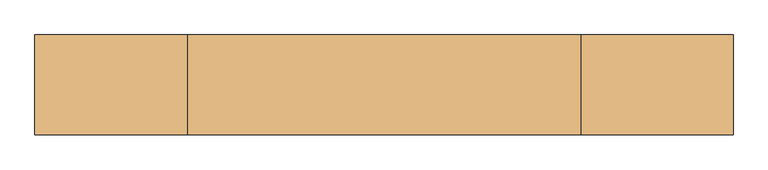
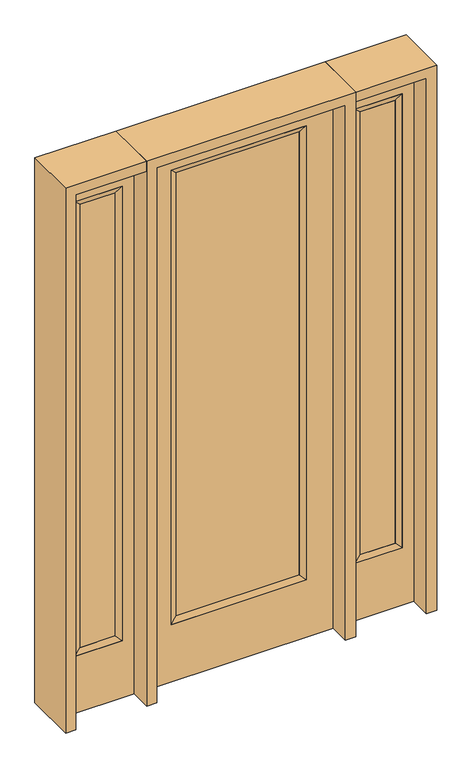
"""IFC4 building model written with IfcOpenShell, lengths in millimetres: door geometry."""

import ifcopenshell
import ifcopenshell.guid

model = None  # the IFC model being written
_history = None  # IfcOwnerHistory: only IFC2X3 demands one
_inside = {}  # id of a spatial element -> (the spatial element, [elements in it])
_under = {}  # id of a project, library or spatial element -> (it, [spatial elements below it])
_declared = {}  # id of a project -> (the project, [libraries it declares])
_typed = {}  # id of a type object -> (the type object, [elements of that type])
_made_of = {}  # id of a material, layer set ... -> (it, [elements and type objects made of it])


def new_model(schema):
    """Start an empty IFC model of exactly this schema.

    Asked for "IFC4X3", IfcOpenShell would pick the latest addendum, in which some entities
    have other attributes; the version numbers below select the first issue.
    IFC2X3 requires an IfcOwnerHistory on every rooted entity: one is made here for all.
    """
    global model, _history
    if schema == "IFC4X3":
        model = ifcopenshell.file(schema_version=(4, 3, 0, 0))
    else:
        model = ifcopenshell.file(schema=schema)
    _inside.clear()
    _under.clear()
    _declared.clear()
    _typed.clear()
    _made_of.clear()
    _history = None
    if model.schema == "IFC2X3":
        org = make("IfcOrganization", Name="unknown")
        user = make(
            "IfcPersonAndOrganization",
            ThePerson=make("IfcPerson", FamilyName="unknown"),
            TheOrganization=org,
        )
        app = make(
            "IfcApplication",
            ApplicationDeveloper=org,
            Version="unknown",
            ApplicationFullName="unknown",
            ApplicationIdentifier="unknown",
        )
        _history = make(
            "IfcOwnerHistory",
            OwningUser=user,
            OwningApplication=app,
            ChangeAction="ADDED",
            CreationDate=0,
        )
    return model


def make(cls, **values):
    """One entity of the class cls with the attributes given. An attribute that is None is left unset."""
    return model.create_entity(
        cls, **{name: value for name, value in values.items() if value is not None}
    )


def rooted(cls, **values):
    """An entity with a GlobalId (a new one), such as an element, a storey or a relation."""
    return make(cls, GlobalId=ifcopenshell.guid.new(), OwnerHistory=_history, **values)


def si_unit(unit_type, name, prefix=None):
    """IfcSIUnit, for example si_unit("LENGTHUNIT", "METRE", prefix="MILLI")."""
    return make("IfcSIUnit", UnitType=unit_type, Prefix=prefix, Name=name)


def assignment(units):
    """IfcUnitAssignment: the units of a project."""
    return None if units is None else make("IfcUnitAssignment", Units=units)


def point(xyz):
    """IfcCartesianPoint."""
    return None if xyz is None else make("IfcCartesianPoint", Coordinates=xyz)


def direction(xyz):
    """IfcDirection."""
    return None if xyz is None else make("IfcDirection", DirectionRatios=xyz)


def frame(location, z_axis=None, x_axis=None):
    """IfcAxis2Placement3D, a coordinate frame: its origin and axes. An axis left out is left unset."""
    return make(
        "IfcAxis2Placement3D",
        Location=point(location),
        Axis=direction(z_axis),
        RefDirection=direction(x_axis),
    )


def origin():
    """The frame at (0, 0, 0) with its axes left unset."""
    return frame((0.0, 0.0, 0.0))


def place(relative_to, where):
    """IfcLocalPlacement: puts the frame where relative to a parent placement (None: the world)."""
    return make(
        "IfcLocalPlacement", PlacementRelTo=relative_to, RelativePlacement=where
    )


def context(
    kind, dimensions, precision=None, world=None, true_north=None, identifier=None
):
    """IfcGeometricRepresentationContext, for example the 3D "Model" context."""
    return make(
        "IfcGeometricRepresentationContext",
        ContextIdentifier=identifier,
        ContextType=kind,
        CoordinateSpaceDimension=dimensions,
        Precision=precision,
        WorldCoordinateSystem=world,
        TrueNorth=true_north,
    )


def project(units=None, contexts=None):
    """IfcProject with its units and contexts."""
    return rooted(
        "IfcProject",
        Name="project",
        RepresentationContexts=contexts,
        UnitsInContext=assignment(units),
    )


def spatial(cls, under=None, at=None, **own):
    """A site, building, storey or space (cls), placed at a placement, below another one or the project."""
    s = rooted(cls, ObjectPlacement=at, **own)
    if under is not None:
        _under.setdefault(under.id(), (under, []))[1].append(s)
    return s


def polyline(points):
    """IfcPolyline through the points."""
    return make("IfcPolyline", Points=[point(p) for p in points])


def outline(outer, holes=None, kind="AREA"):
    """IfcArbitraryClosedProfileDef: a profile drawn as a closed curve; with holes, ...WithVoids."""
    if holes is None:
        return make("IfcArbitraryClosedProfileDef", ProfileType=kind, OuterCurve=outer)
    return make(
        "IfcArbitraryProfileDefWithVoids",
        ProfileType=kind,
        OuterCurve=outer,
        InnerCurves=holes,
    )


def extrude(swept, where, along, depth):
    """IfcExtrudedAreaSolid: the profile swept, set in the frame where, extruded along a direction by depth."""
    return make(
        "IfcExtrudedAreaSolid",
        SweptArea=swept,
        Position=where,
        ExtrudedDirection=direction(along),
        Depth=depth,
    )


def faces_of(points, faces, orient=None, outer=None):
    """IfcFace entities. A face is a list of loops; a loop is a list of indices into points, from 0.

    orient and outer hold one flag for each loop. By default every Orientation is true, the
    first loop of a face is its IfcFaceOuterBound and the others are IfcFaceBound.
    """
    made = []
    for i, loops in enumerate(faces):
        bounds = []
        for j, loop in enumerate(loops):
            is_outer = j == 0 if outer is None else outer[i][j]
            bounds.append(
                make(
                    "IfcFaceOuterBound" if is_outer else "IfcFaceBound",
                    Bound=make("IfcPolyLoop", Polygon=[points[k] for k in loop]),
                    Orientation=True if orient is None else orient[i][j],
                )
            )
        made.append(make("IfcFace", Bounds=bounds))
    return made


def faceted_brep(points, faces, orient=None, outer=None, voids=None):
    """IfcFacetedBrep: a solid bounded by flat faces; with voids (closed shells), ...WithVoids."""
    shared = [point(p) for p in points]
    hull = make("IfcClosedShell", CfsFaces=faces_of(shared, faces, orient, outer))
    if voids is None:
        return make("IfcFacetedBrep", Outer=hull)
    return make(
        "IfcFacetedBrepWithVoids",
        Outer=hull,
        Voids=[
            make(cls, CfsFaces=faces_of(shared, fs, o, b)) for cls, fs, o, b in voids
        ],
    )


def shape(context_of_items, identifier, shape_type, items):
    """IfcShapeRepresentation: the items that make up one representation, for example the "Body"."""
    return make(
        "IfcShapeRepresentation",
        ContextOfItems=context_of_items,
        RepresentationIdentifier=identifier,
        RepresentationType=shape_type,
        Items=items,
    )


def source(mapping_origin, context_of_items, identifier, shape_type, items):
    """IfcRepresentationMap: a shape defined once, which mapped items show again and again."""
    return make(
        "IfcRepresentationMap",
        MappingOrigin=mapping_origin,
        MappedRepresentation=shape(context_of_items, identifier, shape_type, items),
    )


def transform(
    local_origin,
    x_axis=None,
    y_axis=None,
    z_axis=None,
    scale=None,
    scale2=None,
    scale3=None,
    uniform=True,
):
    """IfcCartesianTransformationOperator3D, or its non-uniform kind. x_axis, y_axis, z_axis: its Axis1, 2, 3."""
    if uniform:
        return make(
            "IfcCartesianTransformationOperator3D",
            Axis1=direction(x_axis),
            Axis2=direction(y_axis),
            LocalOrigin=point(local_origin),
            Scale=scale,
            Axis3=direction(z_axis),
        )
    return make(
        "IfcCartesianTransformationOperator3DnonUniform",
        Axis1=direction(x_axis),
        Axis2=direction(y_axis),
        LocalOrigin=point(local_origin),
        Scale=scale,
        Axis3=direction(z_axis),
        Scale2=scale2,
        Scale3=scale3,
    )


def mapped(mapping_source, mapping_target):
    """IfcMappedItem: shows the shape of a source again, moved by a transform."""
    return make(
        "IfcMappedItem", MappingSource=mapping_source, MappingTarget=mapping_target
    )


def made_of(thing, what):
    """Note that an element or type object is made of a material, layer set ...; save() writes the relation."""
    if what is not None:
        _made_of.setdefault(what.id(), (what, []))[1].append(thing)
    return thing


def element(
    cls,
    number,
    at=None,
    inside=None,
    cuts=None,
    type_object=None,
    material=None,
    context=None,
    identifier="Body",
    shape_type=None,
    held_by="IfcProductDefinitionShape",
    body=None,
    shapes=None,
    **own,
):
    """One element of the class cls, such as IfcWall. Its Tag is "e" and its number.

    at: its placement. inside: the storey or other place that contains it. cuts: it is an
    opening in that element (IfcRelVoidsElement). A single representation is given by context,
    identifier, shape_type and body (its items); several are given by shapes. held_by: the class
    of the entity that holds the representations. save() writes the other relations.
    """
    e = rooted(cls, Tag="e%d" % number, ObjectPlacement=at, **own)
    if body is not None:
        shapes = [shape(context, identifier, shape_type, body)]
    if shapes is not None:
        e.Representation = make(held_by, Representations=shapes)
    if inside is not None:
        _inside.setdefault(inside.id(), (inside, []))[1].append(e)
    if cuts is not None:
        rooted(
            "IfcRelVoidsElement", RelatingBuildingElement=cuts, RelatedOpeningElement=e
        )
    if type_object is not None:
        _typed.setdefault(type_object.id(), (type_object, []))[1].append(e)
    return made_of(e, material)


def aggregate(whole, parts):
    """IfcRelAggregates: a whole, such as a stair, and the parts it consists of."""
    return rooted("IfcRelAggregates", RelatingObject=whole, RelatedObjects=parts)


def save(model, path):
    """Write the relations noted so far, then the file.

    IfcRelAggregates (storeys below a building ...), IfcRelContainedInSpatialStructure (elements
    in a storey), IfcRelDefinesByType, IfcRelAssociatesMaterial and IfcRelDeclares: one each for
    every whole, place, type object, material and project.
    """
    for whole, parts in _under.values():
        aggregate(whole, parts)
    for where, things in _inside.values():
        rooted(
            "IfcRelContainedInSpatialStructure",
            RelatedElements=things,
            RelatingStructure=where,
        )
    for kind, things in _typed.values():
        rooted("IfcRelDefinesByType", RelatedObjects=things, RelatingType=kind)
    for what, things in _made_of.values():
        rooted("IfcRelAssociatesMaterial", RelatedObjects=things, RelatingMaterial=what)
    for by, libraries in _declared.values():
        rooted("IfcRelDeclares", RelatingContext=by, RelatedDefinitions=libraries)
    model.write(path)


def door_2257d5ea(model_context):
    return source(origin(), model_context, "Body", "SolidModel", [
        extrude(outline(polyline([(265.5824, -12.7039749), (-265.5824, -12.7039749), (-265.5824, 14.2875), (265.5824, 14.2875), (265.5824, -12.7039749)])), frame((0.0, 0.0, 285.75), z_axis=(0.0, 0.0, 1.0), x_axis=(1.0, 0.0, 0.0)), (0.0, 0.0, 1.0), 2019.3),
        faceted_brep([(265.5824, 14.2875, 2305.05), (290.9824, 22.225, 2330.45), (290.9824, 22.225, 260.35), (265.5824, 14.2875, 285.75), (290.9824, -22.225, 2330.45), (290.9824, -22.225, 260.35), (-290.9824, 22.225, 260.35), (-265.5824, 14.2875, 285.75), (265.5824, -12.7039749, 2305.05), (265.5824, -12.7039749, 285.75), (-265.5824, -12.7039749, 285.75), (-290.9824, -22.225, 260.35), (-290.9824, 22.225, 2330.45), (-265.5824, 14.2875, 2305.05), (-265.5824, -12.7039749, 2305.05), (-290.9824, -22.225, 2330.45)], [[[0, 1, 2, 3]], [[1, 4, 5, 2]], [[3, 2, 6, 7]], [[8, 0, 3, 9]], [[9, 3, 7, 10]], [[4, 8, 9, 5]], [[5, 9, 10, 11]], [[2, 5, 11, 6]], [[7, 6, 12, 13]], [[10, 7, 13, 14]], [[11, 10, 14, 15]], [[6, 11, 15, 12]], [[13, 12, 1, 0]], [[14, 13, 0, 8]], [[15, 14, 8, 4]], [[12, 15, 4, 1]]]),
        extrude(outline(polyline([(0.0, -406.4), (0.0, 406.4), (2438.4, 406.4), (2438.4, -406.4), (0.0, -406.4)]), holes=[polyline([(260.35, -290.9824), (2330.45, -290.9824), (2330.45, 290.9824), (260.35, 290.9824), (260.35, -290.9824)])]), frame((0.0, -22.225, 0.0), z_axis=(0.0, 1.0, 0.0), x_axis=(0.0, 0.0, 1.0)), (0.0, 0.0, 1.0), 44.45),
        faceted_brep([(501.65, 20.6375, 2330.45), (501.65, 20.6375, 260.35), (501.65, -20.6375, 260.35), (501.65, -20.6375, 2330.45), (527.05, -12.7, 285.75), (527.05, -12.7, 2305.05), (704.85, 20.6375, 260.35), (704.85, -20.6375, 260.35), (527.05, 12.7, 2305.05), (527.05, 12.7, 285.75), (679.45, 12.7, 285.75), (679.45, -12.7, 285.75), (704.85, 20.6375, 2330.45), (704.85, -20.6375, 2330.45), (679.45, 12.7, 2305.05), (679.45, -12.7, 2305.05)], [[[0, 1, 2, 3]], [[3, 2, 4, 5]], [[1, 6, 7, 2]], [[8, 9, 1, 0]], [[9, 10, 6, 1]], [[5, 4, 9, 8]], [[4, 11, 10, 9]], [[2, 7, 11, 4]], [[6, 12, 13, 7]], [[10, 14, 12, 6]], [[11, 15, 14, 10]], [[7, 13, 15, 11]], [[12, 0, 3, 13]], [[14, 8, 0, 12]], [[15, 5, 8, 14]], [[13, 3, 5, 15]]]),
        extrude(outline(polyline([(0.0, 755.65), (2438.4, 755.65), (2438.4, 450.85), (0.0, 450.85), (0.0, 755.65)]), holes=[polyline([(2330.45, 501.65), (2330.45, 704.85), (260.35, 704.85), (260.35, 501.65), (2330.45, 501.65)])]), frame((0.0, -20.6375, 0.0), z_axis=(0.0, 1.0, 0.0), x_axis=(0.0, 0.0, 1.0)), (0.0, 0.0, 1.0), 41.275),
        extrude(outline(polyline([(527.05, -12.7), (527.05, 12.7), (679.45, 12.7), (679.45, -12.7), (527.05, -12.7)])), frame((0.0, 0.0, 284.95625), z_axis=(0.0, 0.0, 1.0), x_axis=(1.0, 0.0, 0.0)), (0.0, 0.0, 1.0), 2020.09375),
        faceted_brep([(-501.65, 20.6375, 2330.45), (-501.65, -20.6375, 2330.45), (-501.65, -20.6375, 260.35), (-501.65, 20.6375, 260.35), (-527.05, -12.7, 2305.05), (-527.05, -12.7, 285.75), (-704.85, -20.6375, 260.35), (-704.85, 20.6375, 260.35), (-527.05, 12.7, 2305.05), (-527.05, 12.7, 285.75), (-679.45, 12.7, 285.75), (-679.45, -12.7, 285.75), (-704.85, -20.6375, 2330.45), (-704.85, 20.6375, 2330.45), (-679.45, 12.7, 2305.05), (-679.45, -12.7, 2305.05)], [[[0, 1, 2, 3]], [[1, 4, 5, 2]], [[3, 2, 6, 7]], [[8, 0, 3, 9]], [[9, 3, 7, 10]], [[4, 8, 9, 5]], [[5, 9, 10, 11]], [[2, 5, 11, 6]], [[7, 6, 12, 13]], [[10, 7, 13, 14]], [[11, 10, 14, 15]], [[6, 11, 15, 12]], [[13, 12, 1, 0]], [[14, 13, 0, 8]], [[15, 14, 8, 4]], [[12, 15, 4, 1]]]),
        extrude(outline(polyline([(0.0, -755.65), (0.0, -450.85), (2438.4, -450.85), (2438.4, -755.65), (0.0, -755.65)]), holes=[polyline([(2330.45, -501.65), (260.35, -501.65), (260.35, -704.85), (2330.45, -704.85), (2330.45, -501.65)])]), frame((0.0, -20.6375, 0.0), z_axis=(0.0, 1.0, 0.0), x_axis=(0.0, 0.0, 1.0)), (0.0, 0.0, 1.0), 41.275),
        extrude(outline(polyline([(-527.05, -12.7), (-679.45, -12.7), (-679.45, 12.7), (-527.05, 12.7), (-527.05, -12.7)])), frame((0.0, 0.0, 284.95625), z_axis=(0.0, 0.0, 1.0), x_axis=(1.0, 0.0, 0.0)), (0.0, 0.0, 1.0), 2020.09375),
        extrude(outline(polyline([(2438.4, -450.85), (2482.85, -450.85), (2482.85, -800.1), (0.0, -800.1), (0.0, -755.65), (2438.4, -755.65), (2438.4, -450.85)])), frame((0.0, -114.3, 0.0), z_axis=(0.0, 1.0, 0.0), x_axis=(0.0, 0.0, 1.0)), (0.0, 0.0, 1.0), 228.6),
        extrude(outline(polyline([(2482.85, -450.85), (0.0, -450.85), (0.0, -406.4), (2438.4, -406.4), (2438.4, 406.4), (0.0, 406.4), (0.0, 450.85), (2482.85, 450.85), (2482.85, -450.85)])), frame((0.0, -114.3, 0.0), z_axis=(0.0, 1.0, 0.0), x_axis=(0.0, 0.0, 1.0)), (0.0, 0.0, 1.0), 228.6),
        extrude(outline(polyline([(0.0, 755.65), (0.0, 800.1), (2482.85, 800.1), (2482.85, 450.85), (2438.4, 450.85), (2438.4, 755.65), (0.0, 755.65)])), frame((0.0, -114.3, 0.0), z_axis=(0.0, 1.0, 0.0), x_axis=(0.0, 0.0, 1.0)), (0.0, 0.0, 1.0), 228.6),
    ])


if __name__ == "__main__":
    model = new_model("IFC4")
    model_context = context("Model", 3, world=origin())
    ifc_project = project(units=[si_unit("LENGTHUNIT", "METRE", prefix="MILLI")], contexts=[model_context])
    site = spatial("IfcSite", under=ifc_project)
    building = spatial("IfcBuilding", under=site)
    placement = place(None, origin())
    door_shape = door_2257d5ea(model_context)
    element("IfcDoor", 1, at=placement, inside=building, context=model_context, shape_type="MappedRepresentation", body=[
        mapped(door_shape, transform((0.0, 0.0, 0.0), x_axis=(1.0, 0.0, 0.0), y_axis=(0.0, 1.0, 0.0), z_axis=(0.0, 0.0, 1.0))),
    ])
    save(model, "model.ifc")
